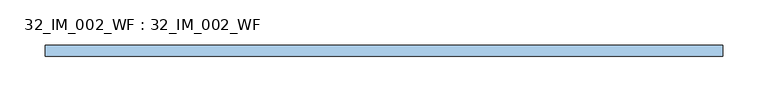
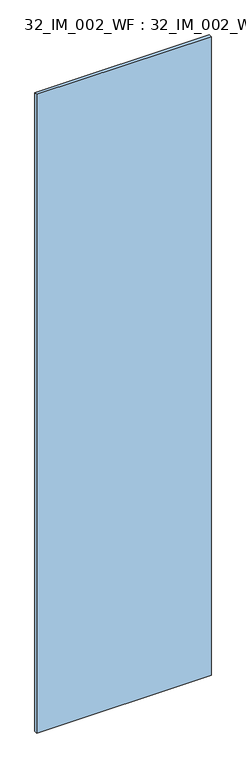
"""IFC4 building model written with IfcOpenShell, lengths in millimetres: window geometry, 32_IM_002_WF : 32_IM_002_WF."""

from ifc_helpers import new_model, si_unit, origin, origin_with_axes, place, context, project, spatial, polyline, outline, extrude, source, transform, mapped, element, save


def window_32_im_002_wf_32_im_002_wf_500e24f1(model_context):
    return source(origin(), model_context, "Body", "SweptSolid", [
        extrude(outline(polyline([(375.0, -6.0), (-375.0, -6.0), (-375.0, 6.0), (375.0, 6.0), (375.0, -6.0)])), origin_with_axes(), (0.0, 0.0, 1.0), 2903.0),
    ])


if __name__ == "__main__":
    model = new_model("IFC4")
    model_context = context("Model", 3, world=origin())
    ifc_project = project(units=[si_unit("LENGTHUNIT", "METRE", prefix="MILLI")], contexts=[model_context])
    site = spatial("IfcSite", under=ifc_project)
    building = spatial("IfcBuilding", under=site)
    placement = place(None, origin())
    window_32_im_002_wf_32_im_002_wf_shape = window_32_im_002_wf_32_im_002_wf_500e24f1(model_context)
    element("IfcWindow", 1, ObjectType="32_IM_002_WF : 32_IM_002_WF", at=placement, inside=building, context=model_context, shape_type="MappedRepresentation", body=[
        mapped(window_32_im_002_wf_32_im_002_wf_shape, transform((0.0, 0.0, 0.0), x_axis=(1.0, 0.0, 0.0), y_axis=(0.0, 1.0, 0.0), z_axis=(0.0, 0.0, 1.0))),
    ])
    save(model, "model.ifc")
